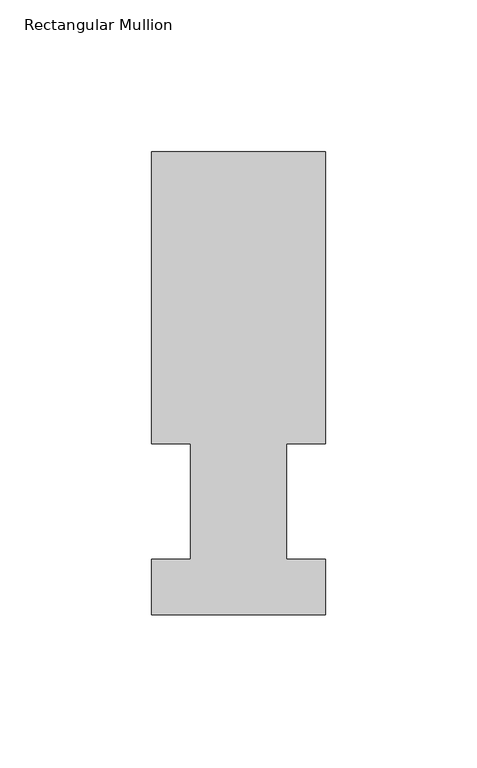
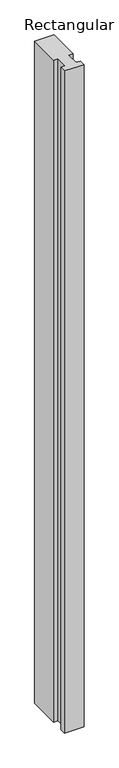
"""IFC4 building model written with IfcOpenShell, lengths in millimetres: member geometry, Rectangular Mullion."""

from ifc_helpers import new_model, si_unit, frame, origin, place, context, project, spatial, polyline, outline, extrude, source, transform, mapped, element, save


def rectangular_mullion_e21bc7ab(model_context):
    return source(origin(), model_context, "Body", "SweptSolid", [
        extrude(outline(polyline([(-28.575, 152.36825), (28.575, 152.36825), (28.575, 56.35625), (15.875, 56.35625), (15.875, 18.25625), (28.575, 18.25625), (28.575, -0.03175), (-28.575, -0.03175), (-28.575, 18.25625), (-15.875, 18.25625), (-15.875, 56.35625), (-28.575, 56.35625), (-28.575, 152.36825)])), frame((0.0, 0.0, -2063.75), z_axis=(0.0, 0.0, 1.0), x_axis=(1.0, 0.0, 0.0)), (0.0, 0.0, 1.0), 2063.75),
    ])


if __name__ == "__main__":
    model = new_model("IFC4")
    model_context = context("Model", 3, world=origin())
    ifc_project = project(units=[si_unit("LENGTHUNIT", "METRE", prefix="MILLI")], contexts=[model_context])
    site = spatial("IfcSite", under=ifc_project)
    building = spatial("IfcBuilding", under=site)
    placement = place(None, origin())
    rectangular_mullion_shape = rectangular_mullion_e21bc7ab(model_context)
    element("IfcMember", 1, ObjectType="Rectangular Mullion", at=placement, inside=building, context=model_context, shape_type="MappedRepresentation", body=[
        mapped(rectangular_mullion_shape, transform((0.0, 0.0, 0.0), x_axis=(1.0, 0.0, 0.0), y_axis=(0.0, 1.0, 0.0), z_axis=(0.0, 0.0, 1.0))),
    ])
    save(model, "model.ifc")
